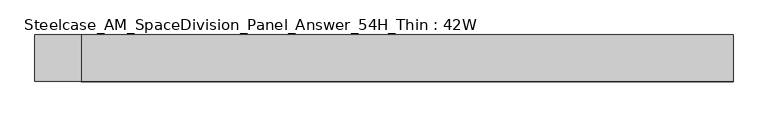
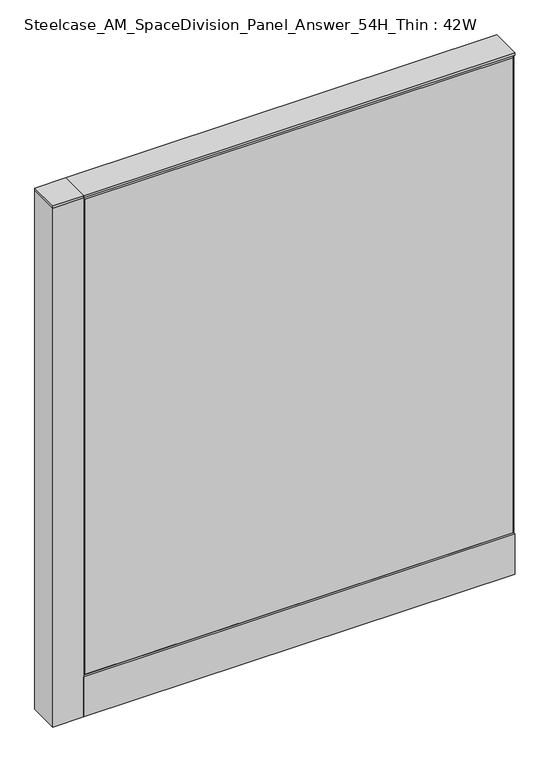
"""IFC4 building model written with IfcOpenShell, lengths in millimetres: furniture geometry, Steelcase_AM_SpaceDivision_Panel_Answer_54H_Thin : 42W."""

from ifc_helpers import new_model, si_unit, point, frame, frame_2d, origin, place, context, project, spatial, polyline, circle_curve, trimmed, segment, composite_curve, outline, extrude, faceted_brep, source, transform, mapped, element, save


def steelcase_am_spacedivision_panel_answer_54h_thin_42w_8d8df579(model_context):
    return source(origin(), model_context, "Body", "SolidModel", [
        extrude(outline(polyline([(37.3075215, 119.8575157), (25.4000011, 119.8575157), (25.4000011, 120.65), (38.1000194, 120.65), (38.1000194, 15.494), (37.3075215, 15.494), (37.3075215, 119.8575157)])), frame((-533.4, 0.0, 0.0), z_axis=(1.0, 0.0, 0.0), x_axis=(0.0, 1.0, 0.0)), (0.0, 0.0, 1.0), 1066.8),
        extrude(outline(polyline([(-37.3075215, 119.8575157), (-37.3075215, 15.494), (-38.1000194, 15.494), (-38.1000194, 120.65), (-25.4000011, 120.65), (-25.4000011, 119.8575157), (-37.3075215, 119.8575157)])), frame((-533.4, 0.0, 0.0), z_axis=(1.0, 0.0, 0.0), x_axis=(0.0, 1.0, 0.0)), (0.0, 0.0, 1.0), 1066.8),
        extrude(outline(composite_curve([segment(trimmed(circle_curve(frame_2d((-571.5, -1.94e-05)), 5.08), [point((-576.58, -1.94e-05))], [point((-566.42, -1.94e-05))], False, "CARTESIAN"), True, "CONTINUOUS"), segment(trimmed(circle_curve(frame_2d((-571.5, -1.94e-05)), 5.08), [point((-566.42, -1.94e-05))], [point((-576.58, -1.94e-05))], False, "CARTESIAN"), True, "CONTINUOUS")], self_intersect=False)), frame((0.0, 0.0, 5.0799671), z_axis=(0.0, 0.0, 1.0), x_axis=(1.0, 0.0, 0.0)), (0.0, 0.0, 1.0), 10.414),
        extrude(outline(composite_curve([segment(trimmed(circle_curve(frame_2d((-571.5, -1.94e-05)), 15.24), [point((-586.74, -1.94e-05))], [point((-556.26, -1.94e-05))], False, "CARTESIAN"), True, "CONTINUOUS"), segment(trimmed(circle_curve(frame_2d((-571.5, -1.94e-05)), 15.24), [point((-556.26, -1.94e-05))], [point((-586.74, -1.94e-05))], False, "CARTESIAN"), True, "CONTINUOUS")], self_intersect=False)), frame((0.0, 0.0, -3.29e-05), z_axis=(0.0, 0.0, 1.0), x_axis=(1.0, 0.0, 0.0)), (0.0, 0.0, 1.0), 5.08),
        extrude(outline(polyline([(-533.4, -38.1), (-609.6, -38.1), (-609.6, 38.1), (-533.4, 38.1), (-533.4, -38.1)])), frame((0.0, 0.0, 1371.5999671), z_axis=(0.0, 0.0, 1.0), x_axis=(1.0, 0.0, 0.0)), (0.0, 0.0, 1.0), 6.35),
        extrude(outline(polyline([(-609.6, 38.1), (-533.4, 38.1), (-533.4, -38.1), (-609.6, -38.1), (-609.6, 38.1)])), frame((0.0, 0.0, 15.4939671), z_axis=(0.0, 0.0, 1.0), x_axis=(1.0, 0.0, 0.0)), (0.0, 0.0, 1.0), 1356.106),
        faceted_brep([(-528.574, 38.0960552, 1366.774), (528.574, 38.0960552, 1366.774), (528.574, 38.0960552, 125.476), (-528.574, 38.0960552, 125.476), (-533.4, 33.2700552, 1371.6), (-533.4, 33.2700552, 120.65), (533.4, 33.2700552, 120.65), (533.4, 33.2700552, 1371.6)], [[[0, 1, 2, 3]], [[4, 5, 6, 7]], [[4, 7, 1, 0]], [[7, 6, 2, 1]], [[6, 5, 3, 2]], [[5, 4, 0, 3]]]),
        faceted_brep([(528.574, -38.0960552, 1366.774), (-528.574, -38.0960552, 1366.774), (-528.574, -38.0960552, 125.476), (528.574, -38.0960552, 125.476), (533.4, -33.2700552, 1371.6), (533.4, -33.2700552, 120.65), (-533.4, -33.2700552, 120.65), (-533.4, -33.2700552, 1371.6)], [[[0, 1, 2, 3]], [[4, 5, 6, 7]], [[4, 7, 1, 0]], [[7, 6, 2, 1]], [[6, 5, 3, 2]], [[5, 4, 0, 3]]]),
        extrude(outline(polyline([(533.4, 38.1000194), (533.4, -38.1000194), (-533.4, -38.1000194), (-533.4, 38.1000194), (533.4, 38.1000194)])), frame((0.0, 0.0, 1371.6), z_axis=(0.0, 0.0, 1.0), x_axis=(1.0, 0.0, 0.0)), (0.0, 0.0, 1.0), 6.35),
    ])


if __name__ == "__main__":
    model = new_model("IFC4")
    model_context = context("Model", 3, world=origin())
    ifc_project = project(units=[si_unit("LENGTHUNIT", "METRE", prefix="MILLI")], contexts=[model_context])
    site = spatial("IfcSite", under=ifc_project)
    building = spatial("IfcBuilding", under=site)
    placement = place(None, origin())
    steelcase_am_spacedivision_panel_answer_54h_thin_42w_shape = steelcase_am_spacedivision_panel_answer_54h_thin_42w_8d8df579(model_context)
    element("IfcFurniture", 1, ObjectType="Steelcase_AM_SpaceDivision_Panel_Answer_54H_Thin : 42W", at=placement, inside=building, context=model_context, shape_type="MappedRepresentation", body=[
        mapped(steelcase_am_spacedivision_panel_answer_54h_thin_42w_shape, transform((0.0, 0.0, 0.0), x_axis=(1.0, 0.0, 0.0), y_axis=(0.0, 1.0, 0.0), z_axis=(0.0, 0.0, 1.0))),
    ])
    save(model, "model.ifc")
